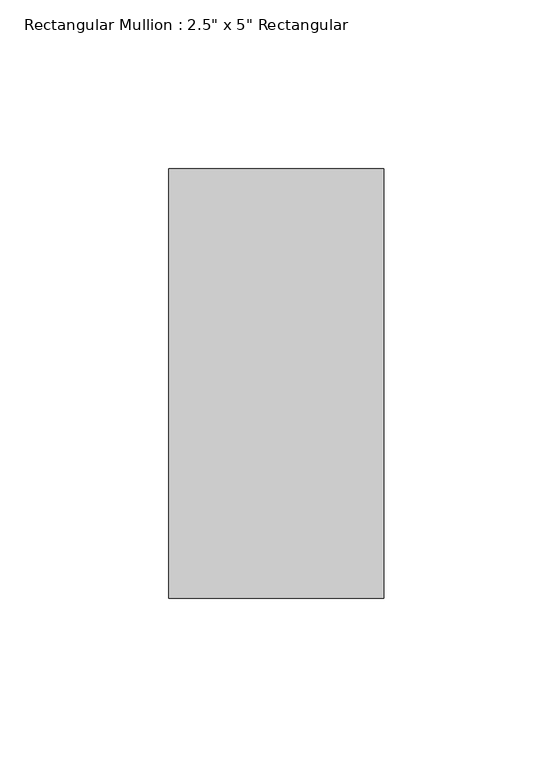
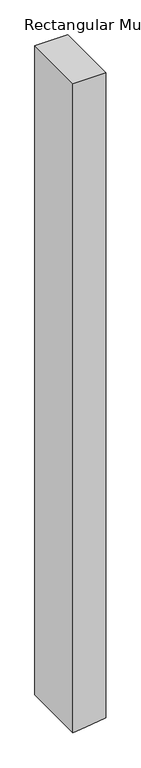
"""IFC4 building model written with IfcOpenShell, lengths in millimetres: member geometry."""

from ifc_helpers import new_model, si_unit, point, frame, frame_2d, origin, place, context, project, spatial, polyline, circle_curve, trimmed, segment, composite_curve, outline, extrude, source, transform, mapped, element, save


def member_88d1348f(model_context):
    return source(origin(), model_context, "Body", "SweptSolid", [
        extrude(outline(composite_curve([segment(polyline([(0.0, 31.75), (0.0, -31.75), (-1326.4744171, -31.75)]), True, "CONTINUOUS"), segment(trimmed(circle_curve(frame_2d((3149.6, -571.5)), 4508.5), [point((-1326.4744171, -31.75))], [point((-1323.5386618, -7.9374374))], False, "CARTESIAN"), True, "CONTINUOUS"), segment(trimmed(circle_curve(frame_2d((3149.6, -571.5)), 4508.5), [point((-1323.5386618, -7.9374374))], [point((-1318.3594545, 31.75))], False, "CARTESIAN"), True, "CONTINUOUS"), segment(polyline([(-1318.3594545, 31.75), (0.0, 31.75)]), True, "CONTINUOUS")], self_intersect=False)), frame((0.0, -63.5, 0.0), z_axis=(0.0, 1.0, 0.0), x_axis=(0.0, 0.0, 1.0)), (0.0, 0.0, 1.0), 127.0),
    ])


if __name__ == "__main__":
    model = new_model("IFC4")
    model_context = context("Model", 3, world=origin())
    ifc_project = project(units=[si_unit("LENGTHUNIT", "METRE", prefix="MILLI")], contexts=[model_context])
    site = spatial("IfcSite", under=ifc_project)
    building = spatial("IfcBuilding", under=site)
    placement = place(None, origin())
    member_shape = member_88d1348f(model_context)
    element("IfcMember", 1, ObjectType="Rectangular Mullion : 2.5\" x 5\" Rectangular", at=placement, inside=building, context=model_context, shape_type="MappedRepresentation", body=[
        mapped(member_shape, transform((0.0, 0.0, 0.0), x_axis=(1.0, 0.0, 0.0), y_axis=(0.0, 1.0, 0.0), z_axis=(0.0, 0.0, 1.0))),
    ])
    save(model, "model.ifc")
